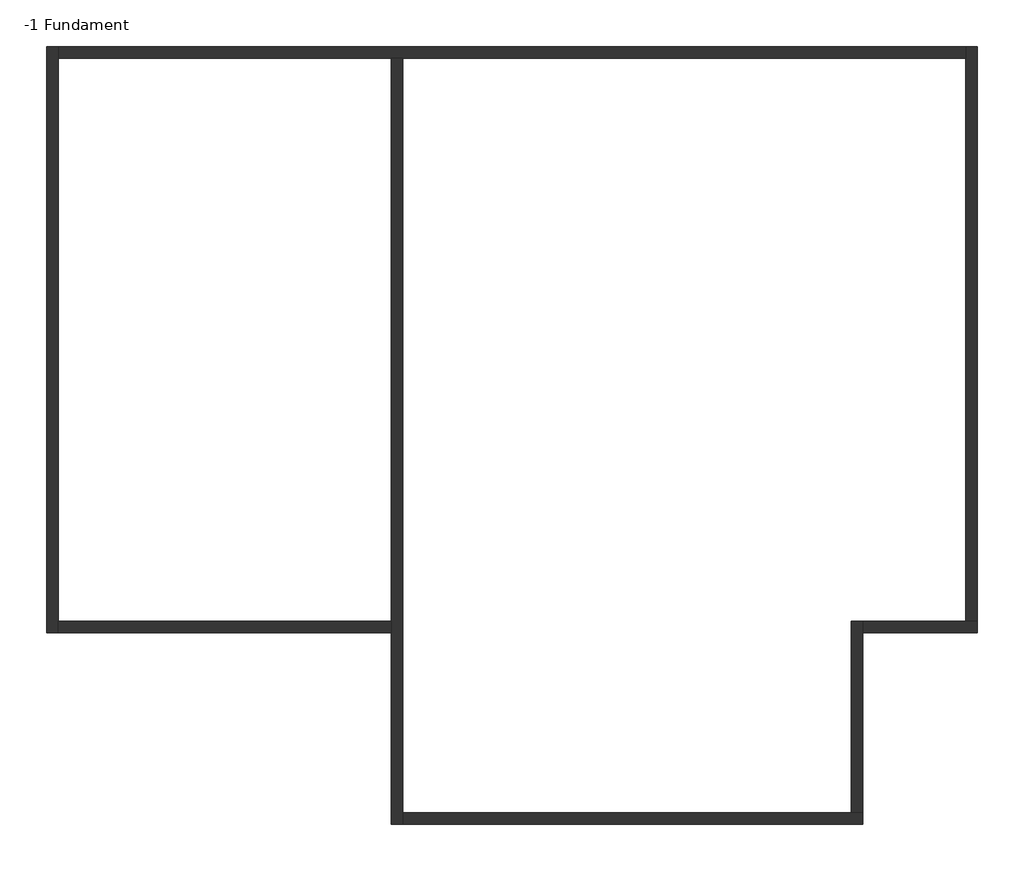
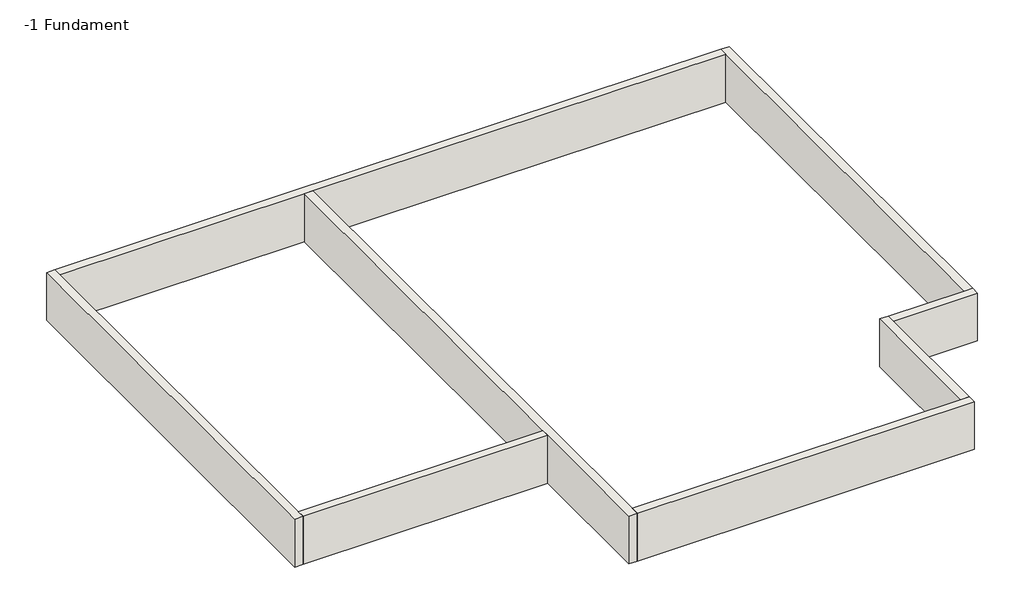
# One storey: 8 walls.
"""IFC4 building model written with IfcOpenShell, lengths in millimetres."""

from ifc_helpers import new_model, si_unit, frame, origin, place, context, project, spatial, polyline, outline, extrude, faceted_brep, element, save

model = new_model("IFC4")

# Units and contexts
model_context = context("Model", 3, world=origin())
ifc_project = project(units=[si_unit("LENGTHUNIT", "METRE", prefix="MILLI")], contexts=[model_context])

# Site, building, storey
site = spatial("IfcSite", under=ifc_project)
building = spatial("IfcBuilding", under=site)
storey = spatial("IfcBuildingStorey", under=building, Name="-1 Fundament", Elevation=-1800.0)

# Walls
placement = place(None, origin())
element("IfcWall", 1, ObjectType="Fundament - beton 300 mm", at=placement, inside=storey, context=model_context, shape_type="Brep", body=[
    faceted_brep([(-12519.9388767, 8441.689262, -1800.0), (-12519.9388767, -6858.310738, -1800.0), (-12519.9388767, -6858.310738, 0.0), (-12519.9388767, 8441.689262, 0.0), (-12219.9388767, 8441.689262, -1800.0), (-12219.9388767, 8441.689262, 0.0), (-12219.9388767, 8141.689262, 0.0), (-12219.9388767, -6558.310738, 0.0), (-12219.9388767, -6858.310738, 0.0), (-12219.9388767, -6858.310738, -1800.0), (-12219.9388767, -6558.310738, -1800.0), (-12219.9388767, 8141.689262, -1800.0)], [[[0, 1, 2, 3]], [[4, 5, 6, 7, 8, 9, 10, 11]], [[1, 0, 4, 11, 10, 9]], [[3, 2, 8, 7, 6, 5]], [[2, 1, 9, 8]], [[0, 3, 5, 4]]]),
])
element("IfcWall", 2, ObjectType="Fundament - beton 300 mm", at=placement, inside=storey, context=model_context, shape_type="SweptSolid", body=[
    extrude(outline(polyline([(-3519.9388767, -6858.310738), (-12219.9388767, -6858.310738), (-12219.9388767, -6558.310738), (-3519.9388767, -6558.310738), (-3519.9388767, -6858.310738)])), frame((0.0, 0.0, -1800.0), z_axis=(0.0, 0.0, 1.0), x_axis=(1.0, 0.0, 0.0)), (0.0, 0.0, 1.0), 1800.0),
])
element("IfcWall", 3, ObjectType="Fundament - beton 300 mm", at=placement, inside=storey, context=model_context, shape_type="Brep", body=[
    faceted_brep([(-3519.9388767, 8141.689262, -1800.0), (-3519.9388767, -6558.310738, -1800.0), (-3519.9388767, -6858.310738, -1800.0), (-3519.9388767, -11858.310738, -1800.0), (-3519.9388767, -11858.310738, 0.0), (-3519.9388767, -6858.310738, 0.0), (-3519.9388767, -6558.310738, 0.0), (-3519.9388767, 8141.689262, 0.0), (-3219.9388767, 8141.689262, -1800.0), (-3219.9388767, 8141.689262, 0.0), (-3219.9388767, -11558.310738, 0.0), (-3219.9388767, -11858.310738, 0.0), (-3219.9388767, -11858.310738, -1800.0), (-3219.9388767, -11558.310738, -1800.0)], [[[0, 1, 2, 3, 4, 5, 6, 7]], [[8, 9, 10, 11, 12, 13]], [[3, 2, 1, 0, 8, 13, 12]], [[7, 6, 5, 4, 11, 10, 9]], [[4, 3, 12, 11]], [[0, 7, 9, 8]]]),
])
element("IfcWall", 4, ObjectType="Fundament - beton 300 mm", at=placement, inside=storey, context=model_context, shape_type="Brep", body=[
    faceted_brep([(-3219.9388767, -11858.310738, -1800.0), (8780.0611233, -11858.310738, -1800.0), (8780.0611233, -11858.310738, 0.0), (-3219.9388767, -11858.310738, 0.0), (-3219.9388767, -11558.310738, -1800.0), (-3219.9388767, -11558.310738, 0.0), (8480.0611233, -11558.310738, 0.0), (8780.0611233, -11558.310738, 0.0), (8780.0611233, -11558.310738, -1800.0), (8480.0611233, -11558.310738, -1800.0)], [[[0, 1, 2, 3]], [[4, 5, 6, 7, 8, 9]], [[1, 0, 4, 9, 8]], [[3, 2, 7, 6, 5]], [[0, 3, 5, 4]], [[2, 1, 8, 7]]]),
])
element("IfcWall", 5, ObjectType="Fundament - beton 300 mm", at=placement, inside=storey, context=model_context, shape_type="Brep", body=[
    faceted_brep([(8780.0611233, -11558.310738, -1800.0), (8780.0611233, -6858.310738, -1800.0), (8780.0611233, -6558.310738, -1800.0), (8780.0611233, -6558.310738, 0.0), (8780.0611233, -6858.310738, 0.0), (8780.0611233, -11558.310738, 0.0), (8480.0611233, -11558.310738, -1800.0), (8480.0611233, -11558.310738, 0.0), (8480.0611233, -6558.310738, 0.0), (8480.0611233, -6558.310738, -1800.0)], [[[0, 1, 2, 3, 4, 5]], [[6, 7, 8, 9]], [[2, 1, 0, 6, 9]], [[5, 4, 3, 8, 7]], [[0, 5, 7, 6]], [[3, 2, 9, 8]]]),
])
element("IfcWall", 6, ObjectType="Fundament - beton 300 mm", at=placement, inside=storey, context=model_context, shape_type="Brep", body=[
    faceted_brep([(8780.0611233, -6858.310738, -1800.0), (11780.0611233, -6858.310738, -1800.0), (11780.0611233, -6858.310738, 0.0), (8780.0611233, -6858.310738, 0.0), (8780.0611233, -6558.310738, -1800.0), (8780.0611233, -6558.310738, 0.0), (11480.0611233, -6558.310738, 0.0), (11780.0611233, -6558.310738, 0.0), (11780.0611233, -6558.310738, -1800.0), (11480.0611233, -6558.310738, -1800.0)], [[[0, 1, 2, 3]], [[4, 5, 6, 7, 8, 9]], [[1, 0, 4, 9, 8]], [[3, 2, 7, 6, 5]], [[0, 3, 5, 4]], [[2, 1, 8, 7]]]),
])
element("IfcWall", 7, ObjectType="Fundament - beton 300 mm", at=placement, inside=storey, context=model_context, shape_type="Brep", body=[
    faceted_brep([(11780.0611233, -6558.310738, -1800.0), (11780.0611233, 8441.689262, -1800.0), (11780.0611233, 8441.689262, 0.0), (11780.0611233, -6558.310738, 0.0), (11480.0611233, -6558.310738, -1800.0), (11480.0611233, -6558.310738, 0.0), (11480.0611233, 8141.689262, 0.0), (11480.0611233, 8441.689262, 0.0), (11480.0611233, 8441.689262, -1800.0), (11480.0611233, 8141.689262, -1800.0)], [[[0, 1, 2, 3]], [[4, 5, 6, 7, 8, 9]], [[1, 0, 4, 9, 8]], [[3, 2, 7, 6, 5]], [[0, 3, 5, 4]], [[2, 1, 8, 7]]]),
])
element("IfcWall", 8, ObjectType="Fundament - beton 300 mm", at=placement, inside=storey, context=model_context, shape_type="Brep", body=[
    faceted_brep([(11480.0611233, 8441.689262, -1800.0), (-12219.9388767, 8441.689262, -1800.0), (-12219.9388767, 8441.689262, 0.0), (11480.0611233, 8441.689262, 0.0), (11480.0611233, 8141.689262, -1800.0), (11480.0611233, 8141.689262, 0.0), (-3219.9388767, 8141.689262, 0.0), (-3519.9388767, 8141.689262, 0.0), (-12219.9388767, 8141.689262, 0.0), (-12219.9388767, 8141.689262, -1800.0), (-3519.9388767, 8141.689262, -1800.0), (-3219.9388767, 8141.689262, -1800.0)], [[[0, 1, 2, 3]], [[4, 5, 6, 7, 8, 9, 10, 11]], [[1, 0, 4, 11, 10, 9]], [[3, 2, 8, 7, 6, 5]], [[2, 1, 9, 8]], [[0, 3, 5, 4]]]),
])

save(model, "model.ifc")
